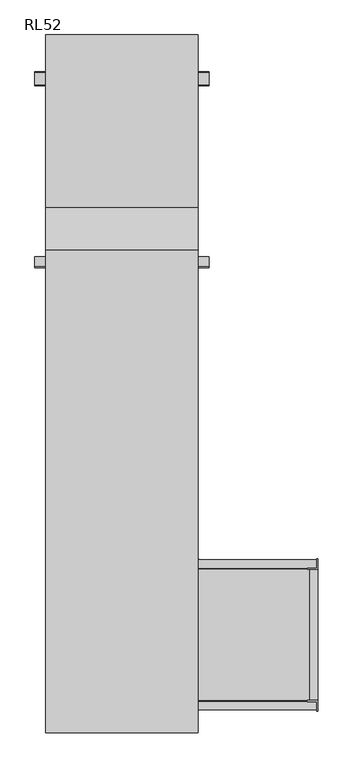
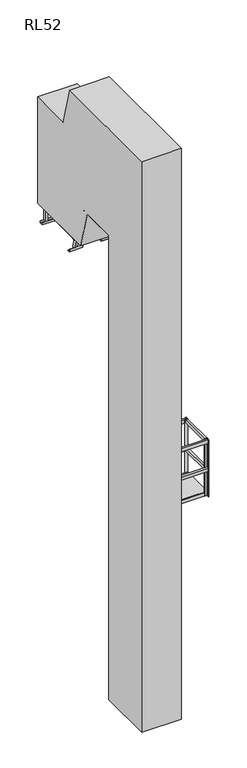
"""IFC4 building model written with IfcOpenShell, lengths in millimetres: proxy geometry, RL52."""

import ifcopenshell
import ifcopenshell.guid

model = None  # the IFC model being written
_history = None  # IfcOwnerHistory: only IFC2X3 demands one
_inside = {}  # id of a spatial element -> (the spatial element, [elements in it])
_under = {}  # id of a project, library or spatial element -> (it, [spatial elements below it])
_declared = {}  # id of a project -> (the project, [libraries it declares])
_typed = {}  # id of a type object -> (the type object, [elements of that type])
_made_of = {}  # id of a material, layer set ... -> (it, [elements and type objects made of it])


def new_model(schema):
    """Start an empty IFC model of exactly this schema.

    Asked for "IFC4X3", IfcOpenShell would pick the latest addendum, in which some entities
    have other attributes; the version numbers below select the first issue.
    IFC2X3 requires an IfcOwnerHistory on every rooted entity: one is made here for all.
    """
    global model, _history
    if schema == "IFC4X3":
        model = ifcopenshell.file(schema_version=(4, 3, 0, 0))
    else:
        model = ifcopenshell.file(schema=schema)
    _inside.clear()
    _under.clear()
    _declared.clear()
    _typed.clear()
    _made_of.clear()
    _history = None
    if model.schema == "IFC2X3":
        org = make("IfcOrganization", Name="unknown")
        user = make(
            "IfcPersonAndOrganization",
            ThePerson=make("IfcPerson", FamilyName="unknown"),
            TheOrganization=org,
        )
        app = make(
            "IfcApplication",
            ApplicationDeveloper=org,
            Version="unknown",
            ApplicationFullName="unknown",
            ApplicationIdentifier="unknown",
        )
        _history = make(
            "IfcOwnerHistory",
            OwningUser=user,
            OwningApplication=app,
            ChangeAction="ADDED",
            CreationDate=0,
        )
    return model


def make(cls, **values):
    """One entity of the class cls with the attributes given. An attribute that is None is left unset."""
    return model.create_entity(
        cls, **{name: value for name, value in values.items() if value is not None}
    )


def rooted(cls, **values):
    """An entity with a GlobalId (a new one), such as an element, a storey or a relation."""
    return make(cls, GlobalId=ifcopenshell.guid.new(), OwnerHistory=_history, **values)


def si_unit(unit_type, name, prefix=None):
    """IfcSIUnit, for example si_unit("LENGTHUNIT", "METRE", prefix="MILLI")."""
    return make("IfcSIUnit", UnitType=unit_type, Prefix=prefix, Name=name)


def assignment(units):
    """IfcUnitAssignment: the units of a project."""
    return None if units is None else make("IfcUnitAssignment", Units=units)


def point(xyz):
    """IfcCartesianPoint."""
    return None if xyz is None else make("IfcCartesianPoint", Coordinates=xyz)


def direction(xyz):
    """IfcDirection."""
    return None if xyz is None else make("IfcDirection", DirectionRatios=xyz)


def frame(location, z_axis=None, x_axis=None):
    """IfcAxis2Placement3D, a coordinate frame: its origin and axes. An axis left out is left unset."""
    return make(
        "IfcAxis2Placement3D",
        Location=point(location),
        Axis=direction(z_axis),
        RefDirection=direction(x_axis),
    )


def frame_2d(location, x_axis=None):
    """IfcAxis2Placement2D, a coordinate frame in the plane: its origin and x axis."""
    return make(
        "IfcAxis2Placement2D", Location=point(location), RefDirection=direction(x_axis)
    )


def origin():
    """The frame at (0, 0, 0) with its axes left unset."""
    return frame((0.0, 0.0, 0.0))


def place(relative_to, where):
    """IfcLocalPlacement: puts the frame where relative to a parent placement (None: the world)."""
    return make(
        "IfcLocalPlacement", PlacementRelTo=relative_to, RelativePlacement=where
    )


def context(
    kind, dimensions, precision=None, world=None, true_north=None, identifier=None
):
    """IfcGeometricRepresentationContext, for example the 3D "Model" context."""
    return make(
        "IfcGeometricRepresentationContext",
        ContextIdentifier=identifier,
        ContextType=kind,
        CoordinateSpaceDimension=dimensions,
        Precision=precision,
        WorldCoordinateSystem=world,
        TrueNorth=true_north,
    )


def project(units=None, contexts=None):
    """IfcProject with its units and contexts."""
    return rooted(
        "IfcProject",
        Name="project",
        RepresentationContexts=contexts,
        UnitsInContext=assignment(units),
    )


def spatial(cls, under=None, at=None, **own):
    """A site, building, storey or space (cls), placed at a placement, below another one or the project."""
    s = rooted(cls, ObjectPlacement=at, **own)
    if under is not None:
        _under.setdefault(under.id(), (under, []))[1].append(s)
    return s


def polyline(points):
    """IfcPolyline through the points."""
    return make("IfcPolyline", Points=[point(p) for p in points])


def circle_curve(where, radius):
    """IfcCircle in the frame where."""
    return make("IfcCircle", Position=where, Radius=radius)


def trimmed(basis, trim1, trim2, sense, master):
    """IfcTrimmedCurve: the piece of a basis curve between two trims."""
    return make(
        "IfcTrimmedCurve",
        BasisCurve=basis,
        Trim1=trim1,
        Trim2=trim2,
        SenseAgreement=sense,
        MasterRepresentation=master,
    )


def segment(curve, same_sense, transition):
    """IfcCompositeCurveSegment."""
    return make(
        "IfcCompositeCurveSegment",
        Transition=transition,
        SameSense=same_sense,
        ParentCurve=curve,
    )


def composite_curve(segments, self_intersect=None):
    """IfcCompositeCurve: segments joined end to end."""
    return make("IfcCompositeCurve", Segments=segments, SelfIntersect=self_intersect)


def outline(outer, holes=None, kind="AREA"):
    """IfcArbitraryClosedProfileDef: a profile drawn as a closed curve; with holes, ...WithVoids."""
    if holes is None:
        return make("IfcArbitraryClosedProfileDef", ProfileType=kind, OuterCurve=outer)
    return make(
        "IfcArbitraryProfileDefWithVoids",
        ProfileType=kind,
        OuterCurve=outer,
        InnerCurves=holes,
    )


def extrude(swept, where, along, depth):
    """IfcExtrudedAreaSolid: the profile swept, set in the frame where, extruded along a direction by depth."""
    return make(
        "IfcExtrudedAreaSolid",
        SweptArea=swept,
        Position=where,
        ExtrudedDirection=direction(along),
        Depth=depth,
    )


def faces_of(points, faces, orient=None, outer=None):
    """IfcFace entities. A face is a list of loops; a loop is a list of indices into points, from 0.

    orient and outer hold one flag for each loop. By default every Orientation is true, the
    first loop of a face is its IfcFaceOuterBound and the others are IfcFaceBound.
    """
    made = []
    for i, loops in enumerate(faces):
        bounds = []
        for j, loop in enumerate(loops):
            is_outer = j == 0 if outer is None else outer[i][j]
            bounds.append(
                make(
                    "IfcFaceOuterBound" if is_outer else "IfcFaceBound",
                    Bound=make("IfcPolyLoop", Polygon=[points[k] for k in loop]),
                    Orientation=True if orient is None else orient[i][j],
                )
            )
        made.append(make("IfcFace", Bounds=bounds))
    return made


def faceted_brep(points, faces, orient=None, outer=None, voids=None):
    """IfcFacetedBrep: a solid bounded by flat faces; with voids (closed shells), ...WithVoids."""
    shared = [point(p) for p in points]
    hull = make("IfcClosedShell", CfsFaces=faces_of(shared, faces, orient, outer))
    if voids is None:
        return make("IfcFacetedBrep", Outer=hull)
    return make(
        "IfcFacetedBrepWithVoids",
        Outer=hull,
        Voids=[
            make(cls, CfsFaces=faces_of(shared, fs, o, b)) for cls, fs, o, b in voids
        ],
    )


def shape(context_of_items, identifier, shape_type, items):
    """IfcShapeRepresentation: the items that make up one representation, for example the "Body"."""
    return make(
        "IfcShapeRepresentation",
        ContextOfItems=context_of_items,
        RepresentationIdentifier=identifier,
        RepresentationType=shape_type,
        Items=items,
    )


def source(mapping_origin, context_of_items, identifier, shape_type, items):
    """IfcRepresentationMap: a shape defined once, which mapped items show again and again."""
    return make(
        "IfcRepresentationMap",
        MappingOrigin=mapping_origin,
        MappedRepresentation=shape(context_of_items, identifier, shape_type, items),
    )


def transform(
    local_origin,
    x_axis=None,
    y_axis=None,
    z_axis=None,
    scale=None,
    scale2=None,
    scale3=None,
    uniform=True,
):
    """IfcCartesianTransformationOperator3D, or its non-uniform kind. x_axis, y_axis, z_axis: its Axis1, 2, 3."""
    if uniform:
        return make(
            "IfcCartesianTransformationOperator3D",
            Axis1=direction(x_axis),
            Axis2=direction(y_axis),
            LocalOrigin=point(local_origin),
            Scale=scale,
            Axis3=direction(z_axis),
        )
    return make(
        "IfcCartesianTransformationOperator3DnonUniform",
        Axis1=direction(x_axis),
        Axis2=direction(y_axis),
        LocalOrigin=point(local_origin),
        Scale=scale,
        Axis3=direction(z_axis),
        Scale2=scale2,
        Scale3=scale3,
    )


def mapped(mapping_source, mapping_target):
    """IfcMappedItem: shows the shape of a source again, moved by a transform."""
    return make(
        "IfcMappedItem", MappingSource=mapping_source, MappingTarget=mapping_target
    )


def made_of(thing, what):
    """Note that an element or type object is made of a material, layer set ...; save() writes the relation."""
    if what is not None:
        _made_of.setdefault(what.id(), (what, []))[1].append(thing)
    return thing


def element(
    cls,
    number,
    at=None,
    inside=None,
    cuts=None,
    type_object=None,
    material=None,
    context=None,
    identifier="Body",
    shape_type=None,
    held_by="IfcProductDefinitionShape",
    body=None,
    shapes=None,
    **own,
):
    """One element of the class cls, such as IfcWall. Its Tag is "e" and its number.

    at: its placement. inside: the storey or other place that contains it. cuts: it is an
    opening in that element (IfcRelVoidsElement). A single representation is given by context,
    identifier, shape_type and body (its items); several are given by shapes. held_by: the class
    of the entity that holds the representations. save() writes the other relations.
    """
    e = rooted(cls, Tag="e%d" % number, ObjectPlacement=at, **own)
    if body is not None:
        shapes = [shape(context, identifier, shape_type, body)]
    if shapes is not None:
        e.Representation = make(held_by, Representations=shapes)
    if inside is not None:
        _inside.setdefault(inside.id(), (inside, []))[1].append(e)
    if cuts is not None:
        rooted(
            "IfcRelVoidsElement", RelatingBuildingElement=cuts, RelatedOpeningElement=e
        )
    if type_object is not None:
        _typed.setdefault(type_object.id(), (type_object, []))[1].append(e)
    return made_of(e, material)


def aggregate(whole, parts):
    """IfcRelAggregates: a whole, such as a stair, and the parts it consists of."""
    return rooted("IfcRelAggregates", RelatingObject=whole, RelatedObjects=parts)


def save(model, path):
    """Write the relations noted so far, then the file.

    IfcRelAggregates (storeys below a building ...), IfcRelContainedInSpatialStructure (elements
    in a storey), IfcRelDefinesByType, IfcRelAssociatesMaterial and IfcRelDeclares: one each for
    every whole, place, type object, material and project.
    """
    for whole, parts in _under.values():
        aggregate(whole, parts)
    for where, things in _inside.values():
        rooted(
            "IfcRelContainedInSpatialStructure",
            RelatedElements=things,
            RelatingStructure=where,
        )
    for kind, things in _typed.values():
        rooted("IfcRelDefinesByType", RelatedObjects=things, RelatingType=kind)
    for what, things in _made_of.values():
        rooted("IfcRelAssociatesMaterial", RelatedObjects=things, RelatingMaterial=what)
    for by, libraries in _declared.values():
        rooted("IfcRelDeclares", RelatingContext=by, RelatedDefinitions=libraries)
    model.write(path)


def rl52_6f7ced47(model_context):
    return source(origin(), model_context, "Body", "SolidModel", [
        extrude(outline(polyline([(250.0, 1304.8694762), (250.0, 1286.8694762), (-250.0, 1286.8694762), (-250.0, 1304.8694762), (250.0, 1304.8694762)])), frame((0.0, 0.0, 7981.5), z_axis=(0.0, 0.0, 1.0), x_axis=(1.0, 0.0, 0.0)), (0.0, 0.0, 1.0), 18.5),
        extrude(outline(polyline([(300.5, 1491.1194762), (300.5, 1472.6194762), (-300.5, 1472.6194762), (-300.5, 1491.1194762), (300.5, 1491.1194762)])), frame((0.0, 0.0, 7981.5), z_axis=(0.0, 0.0, 1.0), x_axis=(1.0, 0.0, 0.0)), (0.0, 0.0, 1.0), 18.5),
        extrude(outline(polyline([(250.0, 1472.6194762), (250.0, 1304.8694762), (-250.0, 1304.8694762), (-250.0, 1472.6194762), (250.0, 1472.6194762)])), frame((0.0, 0.0, 7981.5), z_axis=(0.0, 0.0, 1.0), x_axis=(1.0, 0.0, 0.0)), (0.0, 0.0, 1.0), 18.5),
        extrude(outline(polyline([(-262.5, 1360.0196058), (-300.5, 1360.0196058), (-300.5, 2391.8694762), (-262.5, 2391.8694762), (-262.5, 1360.0196058)])), frame((0.0, 0.0, 7923.5), z_axis=(0.0, 0.0, 1.0), x_axis=(1.0, 0.0, 0.0)), (0.0, 0.0, 1.0), 58.0),
        extrude(outline(polyline([(300.5, 1360.0196058), (262.5, 1360.0196058), (262.5, 2391.8694762), (300.5, 2391.8694762), (300.5, 1360.0196058)])), frame((0.0, 0.0, 7923.5), z_axis=(0.0, 0.0, 1.0), x_axis=(1.0, 0.0, 0.0)), (0.0, 0.0, 1.0), 58.0),
        extrude(outline(polyline([(338.5, 2220.8694762), (338.5, 2162.8694762), (300.5, 2162.8694762), (300.5, 2220.8694762), (338.5, 2220.8694762)])), frame((0.0, 0.0, 7753.0), z_axis=(0.0, 0.0, 1.0), x_axis=(1.0, 0.0, 0.0)), (0.0, 0.0, 1.0), 240.0),
        extrude(outline(polyline([(-300.5, 2220.8694762), (-300.5, 2162.8694762), (-338.5, 2162.8694762), (-338.5, 2220.8694762), (-300.5, 2220.8694762)])), frame((0.0, 0.0, 7753.0), z_axis=(0.0, 0.0, 1.0), x_axis=(1.0, 0.0, 0.0)), (0.0, 0.0, 1.0), 240.0),
        extrude(outline(polyline([(300.5, 2391.8694762), (300.5, 2373.3694762), (-300.5, 2373.3694762), (-300.5, 2391.8694762), (300.5, 2391.8694762)])), frame((0.0, 0.0, 7981.5), z_axis=(0.0, 0.0, 1.0), x_axis=(1.0, 0.0, 0.0)), (0.0, 0.0, 1.0), 18.5),
        extrude(outline(polyline([(2221.3694762, 7788.0), (2224.3694762, 7788.0), (2224.3694762, 7750.0), (2159.3694762, 7750.0), (2159.3694762, 7788.0), (2162.3694762, 7788.0), (2162.3694762, 7753.0), (2221.3694762, 7753.0), (2221.3694762, 7788.0)])), frame((-400.5, 0.0, 0.0), z_axis=(1.0, 0.0, 0.0), x_axis=(0.0, 1.0, 0.0)), (0.0, 0.0, 1.0), 801.0),
        extrude(outline(polyline([(300.5, 2372.8694762), (300.5, 1491.1194762), (-300.5, 1491.1194762), (-300.5, 2372.8694762), (300.5, 2372.8694762)])), frame((0.0, 0.0, 7981.5), z_axis=(0.0, 0.0, 1.0), x_axis=(1.0, 0.0, 0.0)), (0.0, 0.0, 1.0), 18.5),
        extrude(outline(composite_curve([segment(trimmed(circle_curve(frame_2d((1389.0731956, 7933.5)), 6.0), [point((1395.0731956, 7933.5))], [point((1389.0731956, 7927.5))], False, "CARTESIAN"), True, "CONTINUOUS"), segment(polyline([(1389.0731956, 7927.5), (1340.0196058, 7927.5)]), True, "CONTINUOUS"), segment(trimmed(circle_curve(frame_2d((1340.0196058, 7952.5)), 25.0), [point((1340.0196058, 7927.5))], [point((1340.0196058, 7977.5))], False, "CARTESIAN"), True, "CONTINUOUS"), segment(polyline([(1340.0196058, 7977.5), (1389.0731956, 7977.5)]), True, "CONTINUOUS"), segment(trimmed(circle_curve(frame_2d((1389.0731956, 7971.5)), 6.0), [point((1389.0731956, 7977.5))], [point((1395.0731956, 7971.5))], False, "CARTESIAN"), True, "CONTINUOUS"), segment(polyline([(1395.0731956, 7971.5), (1395.0731956, 7933.5)]), True, "CONTINUOUS")], self_intersect=False)), frame((-306.5, 0.0, 0.0), z_axis=(1.0, 0.0, 0.0), x_axis=(0.0, 1.0, 0.0)), (0.0, 0.0, 1.0), 6.0),
        extrude(outline(composite_curve([segment(trimmed(circle_curve(frame_2d((1389.0731956, 7933.5)), 6.0), [point((1395.0731956, 7933.5))], [point((1389.0731956, 7927.5))], False, "CARTESIAN"), True, "CONTINUOUS"), segment(polyline([(1389.0731956, 7927.5), (1340.0196058, 7927.5)]), True, "CONTINUOUS"), segment(trimmed(circle_curve(frame_2d((1340.0196058, 7952.5)), 25.0), [point((1340.0196058, 7927.5))], [point((1340.0196058, 7977.5))], False, "CARTESIAN"), True, "CONTINUOUS"), segment(polyline([(1340.0196058, 7977.5), (1389.0731956, 7977.5)]), True, "CONTINUOUS"), segment(trimmed(circle_curve(frame_2d((1389.0731956, 7971.5)), 6.0), [point((1389.0731956, 7977.5))], [point((1395.0731956, 7971.5))], False, "CARTESIAN"), True, "CONTINUOUS"), segment(polyline([(1395.0731956, 7971.5), (1395.0731956, 7933.5)]), True, "CONTINUOUS")], self_intersect=False)), frame((300.5, 0.0, 0.0), z_axis=(1.0, 0.0, 0.0), x_axis=(0.0, 1.0, 0.0)), (0.0, 0.0, 1.0), 6.0),
        extrude(outline(polyline([(262.5, 1534.8694762), (262.5, 1476.8694762), (-262.5, 1476.8694762), (-262.5, 1534.8694762), (262.5, 1534.8694762)])), frame((0.0, 0.0, 7943.5), z_axis=(0.0, 0.0, 1.0), x_axis=(1.0, 0.0, 0.0)), (0.0, 0.0, 1.0), 38.0),
        extrude(outline(polyline([(262.5, 1958.8694762), (262.5, 1900.8694762), (-262.5, 1900.8694762), (-262.5, 1958.8694762), (262.5, 1958.8694762)])), frame((0.0, 0.0, 7943.5), z_axis=(0.0, 0.0, 1.0), x_axis=(1.0, 0.0, 0.0)), (0.0, 0.0, 1.0), 38.0),
        extrude(outline(polyline([(262.5, 2381.8694762), (262.5, 2323.8694762), (-262.5, 2323.8694762), (-262.5, 2381.8694762), (262.5, 2381.8694762)])), frame((0.0, 0.0, 7943.5), z_axis=(0.0, 0.0, 1.0), x_axis=(1.0, 0.0, 0.0)), (0.0, 0.0, 1.0), 38.0),
        extrude(outline(composite_curve([segment(polyline([(1212.725111, 8428.6438625), (1169.2584488, 8416.9970054), (1164.8585251, 8433.4177445)]), True, "CONTINUOUS"), segment(trimmed(circle_curve(frame_2d((1189.9490378, 8426.7120005)), 25.9711538), [point((1164.8585251, 8433.4177445))], [point((1208.3251872, 8445.0646015))], False, "CARTESIAN"), True, "CONTINUOUS"), segment(polyline([(1208.3251872, 8445.0646015), (1212.725111, 8428.6438625)]), True, "CONTINUOUS")], self_intersect=False)), frame((-262.5, 0.0, 0.0), z_axis=(1.0, 0.0, 0.0), x_axis=(0.0, 1.0, 0.0)), (0.0, 0.0, 1.0), 525.0),
        extrude(outline(composite_curve([segment(polyline([(1285.9293103, 8155.4420712), (1242.4626482, 8143.7952142), (1238.0627244, 8160.2159532)]), True, "CONTINUOUS"), segment(trimmed(circle_curve(frame_2d((1263.1532371, 8153.5102093)), 25.9711538), [point((1238.0627244, 8160.2159532))], [point((1281.5293866, 8171.8628103))], False, "CARTESIAN"), True, "CONTINUOUS"), segment(polyline([(1281.5293866, 8171.8628103), (1285.9293103, 8155.4420712)]), True, "CONTINUOUS")], self_intersect=False)), frame((-262.5, 0.0, 0.0), z_axis=(1.0, 0.0, 0.0), x_axis=(0.0, 1.0, 0.0)), (0.0, 0.0, 1.0), 525.0),
        extrude(outline(composite_curve([segment(polyline([(1139.5209117, 8701.8456537), (1096.0542495, 8690.1987967), (1091.6543257, 8706.6195357)]), True, "CONTINUOUS"), segment(trimmed(circle_curve(frame_2d((1116.7448385, 8699.9137918)), 25.9711538), [point((1091.6543257, 8706.6195357))], [point((1135.1209879, 8718.2663928))], False, "CARTESIAN"), True, "CONTINUOUS"), segment(polyline([(1135.1209879, 8718.2663928), (1139.5209117, 8701.8456537)]), True, "CONTINUOUS")], self_intersect=False)), frame((-262.5, 0.0, 0.0), z_axis=(1.0, 0.0, 0.0), x_axis=(0.0, 1.0, 0.0)), (0.0, 0.0, 1.0), 525.0),
        extrude(outline(composite_curve([segment(polyline([(1359.1335097, 7882.24028), (1315.6668475, 7870.5934229), (1311.2669237, 7887.014162)]), True, "CONTINUOUS"), segment(trimmed(circle_curve(frame_2d((1336.3574365, 7880.308418)), 25.9711538), [point((1311.2669237, 7887.014162))], [point((1354.7335859, 7898.661019))], False, "CARTESIAN"), True, "CONTINUOUS"), segment(polyline([(1354.7335859, 7898.661019), (1359.1335097, 7882.24028)]), True, "CONTINUOUS")], self_intersect=False)), frame((-262.5, 0.0, 0.0), z_axis=(1.0, 0.0, 0.0), x_axis=(0.0, 1.0, 0.0)), (0.0, 0.0, 1.0), 525.0),
        extrude(outline(polyline([(-38.0, 0.0), (0.0, 0.0), (0.0, -58.0000001), (-38.0, -58.0000001), (-38.0, 0.0)])), frame((-262.5, 1396.470313, 7768.0115046), z_axis=(0.0, -0.258819045102523, 0.9659258262890678), x_axis=(1.0, 0.0, 0.0)), (0.0, 0.0, 1.0), 2048.5179208),
        extrude(outline(polyline([(-38.0, 0.0), (0.0, 0.0), (0.0, -58.0000001), (-38.0, -58.0000001), (-38.0, 0.0)])), frame((300.5, 1396.470313, 7768.0115046), z_axis=(0.0, -0.258819045102523, 0.9659258262890678), x_axis=(1.0, 0.0, 0.0)), (0.0, 0.0, 1.0), 2048.5179208),
        extrude(outline(composite_curve([segment(polyline([(1044.4694194, 8658.8687928), (1044.4694194, 8696.8687928)]), True, "CONTINUOUS"), segment(trimmed(circle_curve(frame_2d((1050.4694194, 8696.8687928)), 6.0), [point((1044.4694194, 8696.8687928))], [point((1050.4694194, 8702.8687928))], False, "CARTESIAN"), True, "CONTINUOUS"), segment(polyline([(1050.4694194, 8702.8687928), (1099.5230092, 8702.8687928)]), True, "CONTINUOUS"), segment(trimmed(circle_curve(frame_2d((1099.5230092, 8677.8687928)), 25.0), [point((1099.5230092, 8702.8687928))], [point((1099.5230092, 8652.8687928))], False, "CARTESIAN"), True, "CONTINUOUS"), segment(polyline([(1099.5230092, 8652.8687928), (1050.4694194, 8652.8687928)]), True, "CONTINUOUS"), segment(trimmed(circle_curve(frame_2d((1050.4694194, 8658.8687928)), 6.0), [point((1050.4694194, 8652.8687928))], [point((1044.4694194, 8658.8687928))], False, "CARTESIAN"), True, "CONTINUOUS")], self_intersect=False)), frame((-306.0, 0.0, 0.0), z_axis=(1.0, 0.0, 0.0), x_axis=(0.0, 1.0, 0.0)), (0.0, 0.0, 1.0), 6.0),
        extrude(outline(composite_curve([segment(trimmed(circle_curve(frame_2d((1050.4694194, 8696.8687928)), 6.0), [point((1044.4694194, 8696.8687928))], [point((1050.4694194, 8702.8687928))], False, "CARTESIAN"), True, "CONTINUOUS"), segment(polyline([(1050.4694194, 8702.8687928), (1099.5230092, 8702.8687928)]), True, "CONTINUOUS"), segment(trimmed(circle_curve(frame_2d((1099.5230092, 8677.8687928)), 25.0), [point((1099.5230092, 8702.8687928))], [point((1099.5230092, 8652.8687928))], False, "CARTESIAN"), True, "CONTINUOUS"), segment(polyline([(1099.5230092, 8652.8687928), (1050.4694194, 8652.8687928)]), True, "CONTINUOUS"), segment(trimmed(circle_curve(frame_2d((1050.4694194, 8658.8687928)), 6.0), [point((1050.4694194, 8652.8687928))], [point((1044.4694194, 8658.8687928))], False, "CARTESIAN"), True, "CONTINUOUS"), segment(polyline([(1044.4694194, 8658.8687928), (1044.4694194, 8696.8687928)]), True, "CONTINUOUS")], self_intersect=False)), frame((300.0, 0.0, 0.0), z_axis=(1.0, 0.0, 0.0), x_axis=(0.0, 1.0, 0.0)), (0.0, 0.0, 1.0), 6.0),
        extrude(outline(composite_curve([segment(trimmed(circle_curve(frame_2d((-20.0, 8677.8687928)), 25.0), [point((-20.0, 8652.8687928))], [point((-20.0, 8702.8687928))], False, "CARTESIAN"), True, "CONTINUOUS"), segment(polyline([(-20.0, 8702.8687928), (29.0535898, 8702.8687928)]), True, "CONTINUOUS"), segment(trimmed(circle_curve(frame_2d((29.0535898, 8696.8687928)), 6.0), [point((29.0535898, 8702.8687928))], [point((35.0535898, 8696.8687928))], False, "CARTESIAN"), True, "CONTINUOUS"), segment(polyline([(35.0535898, 8696.8687928), (35.0535898, 8658.8687928)]), True, "CONTINUOUS"), segment(trimmed(circle_curve(frame_2d((29.0535898, 8658.8687928)), 6.0), [point((35.0535898, 8658.8687928))], [point((29.0535898, 8652.8687928))], False, "CARTESIAN"), True, "CONTINUOUS"), segment(polyline([(29.0535898, 8652.8687928), (-20.0, 8652.8687928)]), True, "CONTINUOUS")], self_intersect=False)), frame((-306.0, 0.0, 0.0), z_axis=(1.0, 0.0, 0.0), x_axis=(0.0, 1.0, 0.0)), (0.0, 0.0, 1.0), 6.0),
        extrude(outline(composite_curve([segment(trimmed(circle_curve(frame_2d((-20.0, 8677.8687928)), 25.0), [point((-20.0, 8652.8687928))], [point((-20.0, 8702.8687928))], False, "CARTESIAN"), True, "CONTINUOUS"), segment(polyline([(-20.0, 8702.8687928), (29.0535898, 8702.8687928)]), True, "CONTINUOUS"), segment(trimmed(circle_curve(frame_2d((29.0535898, 8696.8687928)), 6.0), [point((29.0535898, 8702.8687928))], [point((35.0535898, 8696.8687928))], False, "CARTESIAN"), True, "CONTINUOUS"), segment(polyline([(35.0535898, 8696.8687928), (35.0535898, 8658.8687928)]), True, "CONTINUOUS"), segment(trimmed(circle_curve(frame_2d((29.0535898, 8658.8687928)), 6.0), [point((35.0535898, 8658.8687928))], [point((29.0535898, 8652.8687928))], False, "CARTESIAN"), True, "CONTINUOUS"), segment(polyline([(29.0535898, 8652.8687928), (-20.0, 8652.8687928)]), True, "CONTINUOUS")], self_intersect=False)), frame((300.0, 0.0, 0.0), z_axis=(1.0, 0.0, 0.0), x_axis=(0.0, 1.0, 0.0)), (0.0, 0.0, 1.0), 6.0),
        extrude(outline(polyline([(-300.0, 30.0), (-300.0, 48.4), (300.0, 48.4), (300.0, 30.0), (-300.0, 30.0)])), frame((0.0, 0.0, 8706.5), z_axis=(0.0, 0.0, 1.0), x_axis=(1.0, 0.0, 0.0)), (0.0, 0.0, 1.0), 18.5),
        extrude(outline(polyline([(-300.0, 986.1290032), (-300.0, 1004.5290032), (300.0, 1004.5290032), (300.0, 986.1290032), (-300.0, 986.1290032)])), frame((0.0, 0.0, 8706.5), z_axis=(0.0, 0.0, 1.0), x_axis=(1.0, 0.0, 0.0)), (0.0, 0.0, 1.0), 18.5),
        extrude(outline(polyline([(1374.853003, 7753.0), (1374.853003, 7750.0), (1324.853003, 7750.0), (1324.853003, 7800.0), (1327.853003, 7800.0), (1327.853003, 7753.0), (1374.853003, 7753.0)])), frame((-400.5, 0.0, 0.0), z_axis=(1.0, 0.0, 0.0), x_axis=(0.0, 1.0, 0.0)), (0.0, 0.0, 1.0), 238.0),
        extrude(outline(polyline([(1374.853003, 7753.0), (1374.853003, 7750.0), (1324.853003, 7750.0), (1324.853003, 7800.0), (1327.853003, 7800.0), (1327.853003, 7753.0), (1374.853003, 7753.0)])), frame((162.5, 0.0, 0.0), z_axis=(1.0, 0.0, 0.0), x_axis=(0.0, 1.0, 0.0)), (0.0, 0.0, 1.0), 238.0),
        extrude(outline(polyline([(300.0, 0.0), (262.0, 0.0), (262.0, 947.9025997), (300.0, 947.9025997), (300.0, 0.0)])), frame((0.0, 0.0, 9160.9942094), z_axis=(0.0, 0.0, 1.0), x_axis=(1.0, 0.0, 0.0)), (0.0, 0.0, 1.0), 57.0),
        extrude(outline(polyline([(300.0, 0.0), (262.0, 0.0), (262.0, 812.0508076), (300.0, 812.0508076), (300.0, 0.0)])), frame((0.0, 0.0, 9668.0), z_axis=(0.0, 0.0, 1.0), x_axis=(1.0, 0.0, 0.0)), (0.0, 0.0, 1.0), 57.0),
        extrude(outline(polyline([(-262.0, 0.0), (-300.0, 0.0), (-300.0, 812.0508076), (-262.0, 812.0508076), (-262.0, 0.0)])), frame((0.0, 0.0, 9668.0), z_axis=(0.0, 0.0, 1.0), x_axis=(1.0, 0.0, 0.0)), (0.0, 0.0, 1.0), 57.0),
        extrude(outline(polyline([(-262.0, 0.0), (-300.0, 0.0), (-300.0, 947.9025997), (-262.0, 947.9025997), (-262.0, 0.0)])), frame((0.0, 0.0, 9160.9942094), z_axis=(0.0, 0.0, 1.0), x_axis=(1.0, 0.0, 0.0)), (0.0, 0.0, 1.0), 57.0),
        extrude(outline(polyline([(-300.0, 986.1290032), (300.0, 986.1290032), (300.0, 48.4), (-300.0, 48.4), (-300.0, 986.1290032)])), frame((0.0, 0.0, 8706.5), z_axis=(0.0, 0.0, 1.0), x_axis=(1.0, 0.0, 0.0)), (0.0, 0.0, 1.0), 18.5),
        extrude(outline(polyline([(262.0, 1079.5230092), (300.0, 1079.5230092), (300.0, 0.0), (-300.0, 0.0), (-300.0, 1079.5230092), (-262.0, 1079.5230092), (-262.0, 38.0), (262.0, 38.0), (262.0, 1079.5230092)])), frame((0.0, 0.0, 8649.2375855), z_axis=(0.0, 0.0, 1.0), x_axis=(1.0, 0.0, 0.0)), (0.0, 0.0, 1.0), 57.2624145),
        extrude(outline(polyline([(-262.0, 933.7615046), (-262.0, 991.7615046), (262.0, 991.7615046), (262.0, 933.7615046), (-262.0, 933.7615046)])), frame((0.0, 0.0, 8668.5), z_axis=(0.0, 0.0, 1.0), x_axis=(1.0, 0.0, 0.0)), (0.0, 0.0, 1.0), 38.0),
        extrude(outline(polyline([(-262.0, 510.7615046), (-262.0, 568.7615046), (262.0, 568.7615046), (262.0, 510.7615046), (-262.0, 510.7615046)])), frame((0.0, 0.0, 8668.5), z_axis=(0.0, 0.0, 1.0), x_axis=(1.0, 0.0, 0.0)), (0.0, 0.0, 1.0), 38.0),
        extrude(outline(polyline([(900.5, -59.5), (900.5, -659.5), (300.5, -659.5), (300.5, -59.5), (900.5, -59.5)])), frame((0.0, 0.0, 3987.0), z_axis=(0.0, 0.0, 1.0), x_axis=(1.0, 0.0, 0.0)), (0.0, 0.0, 1.0), 13.0),
        extrude(outline(polyline([(900.5, -659.5), (862.5, -659.5), (862.5, -59.5), (900.5, -59.5), (900.5, -659.5)])), frame((0.0, 0.0, 4403.0), z_axis=(0.0, 0.0, 1.0), x_axis=(1.0, 0.0, 0.0)), (0.0, 0.0, 1.0), 58.0),
        extrude(outline(polyline([(894.5, -15.5), (894.5, -53.5), (306.5, -53.5), (306.5, -15.5), (894.5, -15.5)])), frame((0.0, 0.0, 4403.0), z_axis=(0.0, 0.0, 1.0), x_axis=(1.0, 0.0, 0.0)), (0.0, 0.0, 1.0), 58.0),
        extrude(outline(polyline([(894.5, -15.5), (894.5, -53.5), (306.5, -53.5), (306.5, -15.5), (894.5, -15.5)])), frame((0.0, 0.0, 4934.0), z_axis=(0.0, 0.0, 1.0), x_axis=(1.0, 0.0, 0.0)), (0.0, 0.0, 1.0), 58.0),
        extrude(outline(polyline([(900.5, -659.5), (862.5, -659.5), (862.5, -59.5), (900.5, -59.5), (900.5, -659.5)])), frame((0.0, 0.0, 4934.0), z_axis=(0.0, 0.0, 1.0), x_axis=(1.0, 0.0, 0.0)), (0.0, 0.0, 1.0), 58.0),
        extrude(outline(polyline([(850.5, -59.5), (850.5, -53.5), (894.5, -53.5), (894.5, -9.5), (900.5, -9.5), (900.5, -59.5), (850.5, -59.5)])), frame((0.0, 0.0, 3929.0), z_axis=(0.0, 0.0, 1.0), x_axis=(1.0, 0.0, 0.0)), (0.0, 0.0, 1.0), 1071.0),
        extrude(outline(polyline([(350.5, -659.5), (350.5, -665.5), (306.5, -665.5), (306.5, -709.5), (300.5, -709.5), (300.5, -659.5), (350.5, -659.5)])), frame((0.0, 0.0, 3929.0), z_axis=(0.0, 0.0, 1.0), x_axis=(1.0, 0.0, 0.0)), (0.0, 0.0, 1.0), 1071.0),
        extrude(outline(polyline([(850.5, -659.5), (900.5, -659.5), (900.5, -709.5), (894.5, -709.5), (894.5, -665.5), (850.5, -665.5), (850.5, -659.5)])), frame((0.0, 0.0, 3929.0), z_axis=(0.0, 0.0, 1.0), x_axis=(1.0, 0.0, 0.0)), (0.0, 0.0, 1.0), 1071.0),
        extrude(outline(polyline([(0.0, -50.0), (0.0, 0.0), (50.0, 0.0), (50.0, -5.0), (5.0, -5.0), (5.0, -50.0), (0.0, -50.0)])), frame((300.5, -9.5, 2949.0), z_axis=(0.0, -0.5466781976615285, 0.8373427901412556), x_axis=(1.0, 0.0, 0.0)), (0.0, 0.0, 1.0), 1188.9993103),
        extrude(outline(polyline([(350.5, -59.5), (300.5, -59.5), (300.5, -9.5), (306.5, -9.5), (306.5, -53.5), (350.5, -53.5), (350.5, -59.5)])), frame((0.0, 0.0, 3929.0), z_axis=(0.0, 0.0, 1.0), x_axis=(1.0, 0.0, 0.0)), (0.0, 0.0, 1.0), 1071.0),
        extrude(outline(polyline([(862.5, -59.5), (862.5, -97.5), (338.5, -97.5), (338.5, -59.5), (862.5, -59.5)])), frame((0.0, 0.0, 3929.0), z_axis=(0.0, 0.0, 1.0), x_axis=(1.0, 0.0, 0.0)), (0.0, 0.0, 1.0), 58.0),
        extrude(outline(polyline([(338.5, -659.5), (300.5, -659.5), (300.5, -59.5), (338.5, -59.5), (338.5, -659.5)])), frame((0.0, 0.0, 3929.0), z_axis=(0.0, 0.0, 1.0), x_axis=(1.0, 0.0, 0.0)), (0.0, 0.0, 1.0), 58.0),
        extrude(outline(polyline([(900.5, -659.5), (862.5, -659.5), (862.5, -59.5), (900.5, -59.5), (900.5, -659.5)])), frame((0.0, 0.0, 3929.0), z_axis=(0.0, 0.0, 1.0), x_axis=(1.0, 0.0, 0.0)), (0.0, 0.0, 1.0), 58.0),
        extrude(outline(polyline([(894.5, -621.5), (894.5, -659.5), (306.5, -659.5), (306.5, -621.5), (894.5, -621.5)])), frame((0.0, 0.0, 3929.0), z_axis=(0.0, 0.0, 1.0), x_axis=(1.0, 0.0, 0.0)), (0.0, 0.0, 1.0), 58.0),
        extrude(outline(polyline([(894.5, -665.5), (894.5, -703.5), (306.5, -703.5), (306.5, -665.5), (894.5, -665.5)])), frame((0.0, 0.0, 4403.0), z_axis=(0.0, 0.0, 1.0), x_axis=(1.0, 0.0, 0.0)), (0.0, 0.0, 1.0), 58.0),
        extrude(outline(polyline([(894.5, -665.5), (894.5, -703.5), (306.5, -703.5), (306.5, -665.5), (894.5, -665.5)])), frame((0.0, 0.0, 4934.0), z_axis=(0.0, 0.0, 1.0), x_axis=(1.0, 0.0, 0.0)), (0.0, 0.0, 1.0), 58.0),
        extrude(outline(composite_curve([segment(polyline([(-53.0, 8399.4137931), (-53.0, 8416.4137931)]), True, "CONTINUOUS"), segment(trimmed(circle_curve(frame_2d((-30.5, 8403.4426393)), 25.9711538), [point((-53.0, 8416.4137931))], [point((-8.0, 8416.4137931))], False, "CARTESIAN"), True, "CONTINUOUS"), segment(polyline([(-8.0, 8416.4137931), (-8.0, 8399.4137931), (-53.0, 8399.4137931)]), True, "CONTINUOUS")], self_intersect=False)), frame((-262.0, 0.0, 0.0), z_axis=(1.0, 0.0, 0.0), x_axis=(0.0, 1.0, 0.0)), (0.0, 0.0, 1.0), 524.0),
        extrude(outline(composite_curve([segment(polyline([(-53.0, 8103.8275862), (-53.0, 8120.8275862)]), True, "CONTINUOUS"), segment(trimmed(circle_curve(frame_2d((-30.5, 8107.8564324)), 25.9711538), [point((-53.0, 8120.8275862))], [point((-8.0, 8120.8275862))], False, "CARTESIAN"), True, "CONTINUOUS"), segment(polyline([(-8.0, 8120.8275862), (-8.0, 8103.8275862), (-53.0, 8103.8275862)]), True, "CONTINUOUS")], self_intersect=False)), frame((-262.0, 0.0, 0.0), z_axis=(1.0, 0.0, 0.0), x_axis=(0.0, 1.0, 0.0)), (0.0, 0.0, 1.0), 524.0),
        extrude(outline(composite_curve([segment(polyline([(-53.0, 7808.2413793), (-53.0, 7825.2413793)]), True, "CONTINUOUS"), segment(trimmed(circle_curve(frame_2d((-30.5, 7812.2702255)), 25.9711538), [point((-53.0, 7825.2413793))], [point((-8.0, 7825.2413793))], False, "CARTESIAN"), True, "CONTINUOUS"), segment(polyline([(-8.0, 7825.2413793), (-8.0, 7808.2413793), (-53.0, 7808.2413793)]), True, "CONTINUOUS")], self_intersect=False)), frame((-262.0, 0.0, 0.0), z_axis=(1.0, 0.0, 0.0), x_axis=(0.0, 1.0, 0.0)), (0.0, 0.0, 1.0), 524.0),
        extrude(outline(composite_curve([segment(polyline([(-53.0, 7512.6551724), (-53.0, 7529.6551724)]), True, "CONTINUOUS"), segment(trimmed(circle_curve(frame_2d((-30.5, 7516.6840186)), 25.9711538), [point((-53.0, 7529.6551724))], [point((-8.0, 7529.6551724))], False, "CARTESIAN"), True, "CONTINUOUS"), segment(polyline([(-8.0, 7529.6551724), (-8.0, 7512.6551724), (-53.0, 7512.6551724)]), True, "CONTINUOUS")], self_intersect=False)), frame((-262.0, 0.0, 0.0), z_axis=(1.0, 0.0, 0.0), x_axis=(0.0, 1.0, 0.0)), (0.0, 0.0, 1.0), 524.0),
        extrude(outline(composite_curve([segment(polyline([(-53.0, 7217.0689655), (-53.0, 7234.0689655)]), True, "CONTINUOUS"), segment(trimmed(circle_curve(frame_2d((-30.5, 7221.0978117)), 25.9711538), [point((-53.0, 7234.0689655))], [point((-8.0, 7234.0689655))], False, "CARTESIAN"), True, "CONTINUOUS"), segment(polyline([(-8.0, 7234.0689655), (-8.0, 7217.0689655), (-53.0, 7217.0689655)]), True, "CONTINUOUS")], self_intersect=False)), frame((-262.0, 0.0, 0.0), z_axis=(1.0, 0.0, 0.0), x_axis=(0.0, 1.0, 0.0)), (0.0, 0.0, 1.0), 524.0),
        extrude(outline(composite_curve([segment(polyline([(-53.0, 6921.4827586), (-53.0, 6938.4827586)]), True, "CONTINUOUS"), segment(trimmed(circle_curve(frame_2d((-30.5, 6925.5116048)), 25.9711538), [point((-53.0, 6938.4827586))], [point((-8.0, 6938.4827586))], False, "CARTESIAN"), True, "CONTINUOUS"), segment(polyline([(-8.0, 6938.4827586), (-8.0, 6921.4827586), (-53.0, 6921.4827586)]), True, "CONTINUOUS")], self_intersect=False)), frame((-262.0, 0.0, 0.0), z_axis=(1.0, 0.0, 0.0), x_axis=(0.0, 1.0, 0.0)), (0.0, 0.0, 1.0), 524.0),
        extrude(outline(composite_curve([segment(polyline([(-53.0, 6625.8965517), (-53.0, 6642.8965517)]), True, "CONTINUOUS"), segment(trimmed(circle_curve(frame_2d((-30.5, 6629.9253979)), 25.9711538), [point((-53.0, 6642.8965517))], [point((-8.0, 6642.8965517))], False, "CARTESIAN"), True, "CONTINUOUS"), segment(polyline([(-8.0, 6642.8965517), (-8.0, 6625.8965517), (-53.0, 6625.8965517)]), True, "CONTINUOUS")], self_intersect=False)), frame((-262.0, 0.0, 0.0), z_axis=(1.0, 0.0, 0.0), x_axis=(0.0, 1.0, 0.0)), (0.0, 0.0, 1.0), 524.0),
        extrude(outline(composite_curve([segment(polyline([(-53.0, 6330.3103448), (-53.0, 6347.3103448)]), True, "CONTINUOUS"), segment(trimmed(circle_curve(frame_2d((-30.5, 6334.339191)), 25.9711538), [point((-53.0, 6347.3103448))], [point((-8.0, 6347.3103448))], False, "CARTESIAN"), True, "CONTINUOUS"), segment(polyline([(-8.0, 6347.3103448), (-8.0, 6330.3103448), (-53.0, 6330.3103448)]), True, "CONTINUOUS")], self_intersect=False)), frame((-262.0, 0.0, 0.0), z_axis=(1.0, 0.0, 0.0), x_axis=(0.0, 1.0, 0.0)), (0.0, 0.0, 1.0), 524.0),
        extrude(outline(composite_curve([segment(polyline([(-53.0, 6034.7241379), (-53.0, 6051.7241379)]), True, "CONTINUOUS"), segment(trimmed(circle_curve(frame_2d((-30.5, 6038.7529841)), 25.9711538), [point((-53.0, 6051.7241379))], [point((-8.0, 6051.7241379))], False, "CARTESIAN"), True, "CONTINUOUS"), segment(polyline([(-8.0, 6051.7241379), (-8.0, 6034.7241379), (-53.0, 6034.7241379)]), True, "CONTINUOUS")], self_intersect=False)), frame((-262.0, 0.0, 0.0), z_axis=(1.0, 0.0, 0.0), x_axis=(0.0, 1.0, 0.0)), (0.0, 0.0, 1.0), 524.0),
        extrude(outline(composite_curve([segment(polyline([(-53.0, 5739.137931), (-53.0, 5756.137931)]), True, "CONTINUOUS"), segment(trimmed(circle_curve(frame_2d((-30.5, 5743.1667772)), 25.9711538), [point((-53.0, 5756.137931))], [point((-8.0, 5756.137931))], False, "CARTESIAN"), True, "CONTINUOUS"), segment(polyline([(-8.0, 5756.137931), (-8.0, 5739.137931), (-53.0, 5739.137931)]), True, "CONTINUOUS")], self_intersect=False)), frame((-262.0, 0.0, 0.0), z_axis=(1.0, 0.0, 0.0), x_axis=(0.0, 1.0, 0.0)), (0.0, 0.0, 1.0), 524.0),
        extrude(outline(composite_curve([segment(polyline([(-53.0, 5443.5517241), (-53.0, 5460.5517241)]), True, "CONTINUOUS"), segment(trimmed(circle_curve(frame_2d((-30.5, 5447.5805703)), 25.9711538), [point((-53.0, 5460.5517241))], [point((-8.0, 5460.5517241))], False, "CARTESIAN"), True, "CONTINUOUS"), segment(polyline([(-8.0, 5460.5517241), (-8.0, 5443.5517241), (-53.0, 5443.5517241)]), True, "CONTINUOUS")], self_intersect=False)), frame((-262.0, 0.0, 0.0), z_axis=(1.0, 0.0, 0.0), x_axis=(0.0, 1.0, 0.0)), (0.0, 0.0, 1.0), 524.0),
        extrude(outline(composite_curve([segment(polyline([(-53.0, 5147.9655172), (-53.0, 5164.9655172)]), True, "CONTINUOUS"), segment(trimmed(circle_curve(frame_2d((-30.5, 5151.9943634)), 25.9711538), [point((-53.0, 5164.9655172))], [point((-8.0, 5164.9655172))], False, "CARTESIAN"), True, "CONTINUOUS"), segment(polyline([(-8.0, 5164.9655172), (-8.0, 5147.9655172), (-53.0, 5147.9655172)]), True, "CONTINUOUS")], self_intersect=False)), frame((-262.0, 0.0, 0.0), z_axis=(1.0, 0.0, 0.0), x_axis=(0.0, 1.0, 0.0)), (0.0, 0.0, 1.0), 524.0),
        extrude(outline(composite_curve([segment(polyline([(-53.0, 4852.3793103), (-53.0, 4869.3793103)]), True, "CONTINUOUS"), segment(trimmed(circle_curve(frame_2d((-30.5, 4856.4081565)), 25.9711538), [point((-53.0, 4869.3793103))], [point((-8.0, 4869.3793103))], False, "CARTESIAN"), True, "CONTINUOUS"), segment(polyline([(-8.0, 4869.3793103), (-8.0, 4852.3793103), (-53.0, 4852.3793103)]), True, "CONTINUOUS")], self_intersect=False)), frame((-262.0, 0.0, 0.0), z_axis=(1.0, 0.0, 0.0), x_axis=(0.0, 1.0, 0.0)), (0.0, 0.0, 1.0), 524.0),
        extrude(outline(composite_curve([segment(polyline([(-53.0, 4556.7931034), (-53.0, 4573.7931034)]), True, "CONTINUOUS"), segment(trimmed(circle_curve(frame_2d((-30.5, 4560.8219496)), 25.9711538), [point((-53.0, 4573.7931034))], [point((-8.0, 4573.7931034))], False, "CARTESIAN"), True, "CONTINUOUS"), segment(polyline([(-8.0, 4573.7931034), (-8.0, 4556.7931034), (-53.0, 4556.7931034)]), True, "CONTINUOUS")], self_intersect=False)), frame((-262.0, 0.0, 0.0), z_axis=(1.0, 0.0, 0.0), x_axis=(0.0, 1.0, 0.0)), (0.0, 0.0, 1.0), 524.0),
        extrude(outline(composite_curve([segment(polyline([(-53.0, 4261.2068966), (-53.0, 4278.2068966)]), True, "CONTINUOUS"), segment(trimmed(circle_curve(frame_2d((-30.5, 4265.2357427)), 25.9711538), [point((-53.0, 4278.2068966))], [point((-8.0, 4278.2068966))], False, "CARTESIAN"), True, "CONTINUOUS"), segment(polyline([(-8.0, 4278.2068966), (-8.0, 4261.2068966), (-53.0, 4261.2068966)]), True, "CONTINUOUS")], self_intersect=False)), frame((-262.0, 0.0, 0.0), z_axis=(1.0, 0.0, 0.0), x_axis=(0.0, 1.0, 0.0)), (0.0, 0.0, 1.0), 524.0),
        extrude(outline(composite_curve([segment(polyline([(-53.0, 3965.6206897), (-53.0, 3982.6206897)]), True, "CONTINUOUS"), segment(trimmed(circle_curve(frame_2d((-30.5, 3969.6495358)), 25.9711538), [point((-53.0, 3982.6206897))], [point((-8.0, 3982.6206897))], False, "CARTESIAN"), True, "CONTINUOUS"), segment(polyline([(-8.0, 3982.6206897), (-8.0, 3965.6206897), (-53.0, 3965.6206897)]), True, "CONTINUOUS")], self_intersect=False)), frame((-262.0, 0.0, 0.0), z_axis=(1.0, 0.0, 0.0), x_axis=(0.0, 1.0, 0.0)), (0.0, 0.0, 1.0), 524.0),
        extrude(outline(composite_curve([segment(polyline([(-53.0, 3670.0344828), (-53.0, 3687.0344828)]), True, "CONTINUOUS"), segment(trimmed(circle_curve(frame_2d((-30.5, 3674.0633289)), 25.9711538), [point((-53.0, 3687.0344828))], [point((-8.0, 3687.0344828))], False, "CARTESIAN"), True, "CONTINUOUS"), segment(polyline([(-8.0, 3687.0344828), (-8.0, 3670.0344828), (-53.0, 3670.0344828)]), True, "CONTINUOUS")], self_intersect=False)), frame((-262.0, 0.0, 0.0), z_axis=(1.0, 0.0, 0.0), x_axis=(0.0, 1.0, 0.0)), (0.0, 0.0, 1.0), 524.0),
        extrude(outline(composite_curve([segment(polyline([(-53.0, 3374.4482759), (-53.0, 3391.4482759)]), True, "CONTINUOUS"), segment(trimmed(circle_curve(frame_2d((-30.5, 3378.477122)), 25.9711538), [point((-53.0, 3391.4482759))], [point((-8.0, 3391.4482759))], False, "CARTESIAN"), True, "CONTINUOUS"), segment(polyline([(-8.0, 3391.4482759), (-8.0, 3374.4482759), (-53.0, 3374.4482759)]), True, "CONTINUOUS")], self_intersect=False)), frame((-262.0, 0.0, 0.0), z_axis=(1.0, 0.0, 0.0), x_axis=(0.0, 1.0, 0.0)), (0.0, 0.0, 1.0), 524.0),
        extrude(outline(composite_curve([segment(polyline([(-53.0, 3078.862069), (-53.0, 3095.862069)]), True, "CONTINUOUS"), segment(trimmed(circle_curve(frame_2d((-30.5, 3082.8909151)), 25.9711538), [point((-53.0, 3095.862069))], [point((-8.0, 3095.862069))], False, "CARTESIAN"), True, "CONTINUOUS"), segment(polyline([(-8.0, 3095.862069), (-8.0, 3078.862069), (-53.0, 3078.862069)]), True, "CONTINUOUS")], self_intersect=False)), frame((-262.0, 0.0, 0.0), z_axis=(1.0, 0.0, 0.0), x_axis=(0.0, 1.0, 0.0)), (0.0, 0.0, 1.0), 524.0),
        extrude(outline(composite_curve([segment(polyline([(-53.0, 2783.2758621), (-53.0, 2800.2758621)]), True, "CONTINUOUS"), segment(trimmed(circle_curve(frame_2d((-30.5, 2787.3047082)), 25.9711538), [point((-53.0, 2800.2758621))], [point((-8.0, 2800.2758621))], False, "CARTESIAN"), True, "CONTINUOUS"), segment(polyline([(-8.0, 2800.2758621), (-8.0, 2783.2758621), (-53.0, 2783.2758621)]), True, "CONTINUOUS")], self_intersect=False)), frame((-262.0, 0.0, 0.0), z_axis=(1.0, 0.0, 0.0), x_axis=(0.0, 1.0, 0.0)), (0.0, 0.0, 1.0), 524.0),
        extrude(outline(composite_curve([segment(polyline([(-53.0, 2487.6896552), (-53.0, 2504.6896552)]), True, "CONTINUOUS"), segment(trimmed(circle_curve(frame_2d((-30.5, 2491.7185013)), 25.9711538), [point((-53.0, 2504.6896552))], [point((-8.0, 2504.6896552))], False, "CARTESIAN"), True, "CONTINUOUS"), segment(polyline([(-8.0, 2504.6896552), (-8.0, 2487.6896552), (-53.0, 2487.6896552)]), True, "CONTINUOUS")], self_intersect=False)), frame((-262.0, 0.0, 0.0), z_axis=(1.0, 0.0, 0.0), x_axis=(0.0, 1.0, 0.0)), (0.0, 0.0, 1.0), 524.0),
        extrude(outline(composite_curve([segment(polyline([(-53.0, 2192.1034483), (-53.0, 2209.1034483)]), True, "CONTINUOUS"), segment(trimmed(circle_curve(frame_2d((-30.5, 2196.1322944)), 25.9711538), [point((-53.0, 2209.1034483))], [point((-8.0, 2209.1034483))], False, "CARTESIAN"), True, "CONTINUOUS"), segment(polyline([(-8.0, 2209.1034483), (-8.0, 2192.1034483), (-53.0, 2192.1034483)]), True, "CONTINUOUS")], self_intersect=False)), frame((-262.0, 0.0, 0.0), z_axis=(1.0, 0.0, 0.0), x_axis=(0.0, 1.0, 0.0)), (0.0, 0.0, 1.0), 524.0),
        extrude(outline(composite_curve([segment(polyline([(-53.0, 1896.5172414), (-53.0, 1913.5172414)]), True, "CONTINUOUS"), segment(trimmed(circle_curve(frame_2d((-30.5, 1900.5460875)), 25.9711538), [point((-53.0, 1913.5172414))], [point((-8.0, 1913.5172414))], False, "CARTESIAN"), True, "CONTINUOUS"), segment(polyline([(-8.0, 1913.5172414), (-8.0, 1896.5172414), (-53.0, 1896.5172414)]), True, "CONTINUOUS")], self_intersect=False)), frame((-262.0, 0.0, 0.0), z_axis=(1.0, 0.0, 0.0), x_axis=(0.0, 1.0, 0.0)), (0.0, 0.0, 1.0), 524.0),
        extrude(outline(composite_curve([segment(polyline([(-53.0, 1600.9310345), (-53.0, 1617.9310345)]), True, "CONTINUOUS"), segment(trimmed(circle_curve(frame_2d((-30.5, 1604.9598806)), 25.9711538), [point((-53.0, 1617.9310345))], [point((-8.0, 1617.9310345))], False, "CARTESIAN"), True, "CONTINUOUS"), segment(polyline([(-8.0, 1617.9310345), (-8.0, 1600.9310345), (-53.0, 1600.9310345)]), True, "CONTINUOUS")], self_intersect=False)), frame((-262.0, 0.0, 0.0), z_axis=(1.0, 0.0, 0.0), x_axis=(0.0, 1.0, 0.0)), (0.0, 0.0, 1.0), 524.0),
        extrude(outline(composite_curve([segment(polyline([(-53.0, 1305.3448276), (-53.0, 1322.3448276)]), True, "CONTINUOUS"), segment(trimmed(circle_curve(frame_2d((-30.5, 1309.3736737)), 25.9711538), [point((-53.0, 1322.3448276))], [point((-8.0, 1322.3448276))], False, "CARTESIAN"), True, "CONTINUOUS"), segment(polyline([(-8.0, 1322.3448276), (-8.0, 1305.3448276), (-53.0, 1305.3448276)]), True, "CONTINUOUS")], self_intersect=False)), frame((-262.0, 0.0, 0.0), z_axis=(1.0, 0.0, 0.0), x_axis=(0.0, 1.0, 0.0)), (0.0, 0.0, 1.0), 524.0),
        extrude(outline(composite_curve([segment(polyline([(-53.0, 1009.7586207), (-53.0, 1026.7586207)]), True, "CONTINUOUS"), segment(trimmed(circle_curve(frame_2d((-30.5, 1013.7874668)), 25.9711538), [point((-53.0, 1026.7586207))], [point((-8.0, 1026.7586207))], False, "CARTESIAN"), True, "CONTINUOUS"), segment(polyline([(-8.0, 1026.7586207), (-8.0, 1009.7586207), (-53.0, 1009.7586207)]), True, "CONTINUOUS")], self_intersect=False)), frame((-262.0, 0.0, 0.0), z_axis=(1.0, 0.0, 0.0), x_axis=(0.0, 1.0, 0.0)), (0.0, 0.0, 1.0), 524.0),
        extrude(outline(composite_curve([segment(polyline([(-53.0, 714.1724138), (-53.0, 731.1724138)]), True, "CONTINUOUS"), segment(trimmed(circle_curve(frame_2d((-30.5, 718.2012599)), 25.9711538), [point((-53.0, 731.1724138))], [point((-8.0, 731.1724138))], False, "CARTESIAN"), True, "CONTINUOUS"), segment(polyline([(-8.0, 731.1724138), (-8.0, 714.1724138), (-53.0, 714.1724138)]), True, "CONTINUOUS")], self_intersect=False)), frame((-262.0, 0.0, 0.0), z_axis=(1.0, 0.0, 0.0), x_axis=(0.0, 1.0, 0.0)), (0.0, 0.0, 1.0), 524.0),
        extrude(outline(composite_curve([segment(polyline([(-53.0, 418.5862069), (-53.0, 435.5862069)]), True, "CONTINUOUS"), segment(trimmed(circle_curve(frame_2d((-30.5, 422.6150531)), 25.9711538), [point((-53.0, 435.5862069))], [point((-8.0, 435.5862069))], False, "CARTESIAN"), True, "CONTINUOUS"), segment(polyline([(-8.0, 435.5862069), (-8.0, 418.5862069), (-53.0, 418.5862069)]), True, "CONTINUOUS")], self_intersect=False)), frame((-262.0, 0.0, 0.0), z_axis=(1.0, 0.0, 0.0), x_axis=(0.0, 1.0, 0.0)), (0.0, 0.0, 1.0), 524.0),
        extrude(outline(composite_curve([segment(polyline([(-53.0, 8695.0), (-53.0, 8712.0)]), True, "CONTINUOUS"), segment(trimmed(circle_curve(frame_2d((-30.5, 8699.0288462)), 25.9711538), [point((-53.0, 8712.0))], [point((-8.0, 8712.0))], False, "CARTESIAN"), True, "CONTINUOUS"), segment(polyline([(-8.0, 8712.0), (-8.0, 8695.0), (-53.0, 8695.0)]), True, "CONTINUOUS")], self_intersect=False)), frame((-262.0, 0.0, 0.0), z_axis=(1.0, 0.0, 0.0), x_axis=(0.0, 1.0, 0.0)), (0.0, 0.0, 1.0), 524.0),
        extrude(outline(composite_curve([segment(polyline([(-53.0, 123.0), (-53.0, 140.0)]), True, "CONTINUOUS"), segment(trimmed(circle_curve(frame_2d((-30.5, 127.0288462)), 25.9711538), [point((-53.0, 140.0))], [point((-8.0, 140.0))], False, "CARTESIAN"), True, "CONTINUOUS"), segment(polyline([(-8.0, 140.0), (-8.0, 123.0), (-53.0, 123.0)]), True, "CONTINUOUS")], self_intersect=False)), frame((-262.0, 0.0, 0.0), z_axis=(1.0, 0.0, 0.0), x_axis=(0.0, 1.0, 0.0)), (0.0, 0.0, 1.0), 524.0),
        extrude(outline(composite_curve([segment(trimmed(circle_curve(frame_2d((303.0, -194.5)), 4.0), [point((307.0, -194.5))], [point((299.0, -194.5))], False, "CARTESIAN"), True, "CONTINUOUS"), segment(trimmed(circle_curve(frame_2d((303.0, -194.5)), 4.0), [point((299.0, -194.5))], [point((307.0, -194.5))], False, "CARTESIAN"), True, "CONTINUOUS")], self_intersect=False)), frame((0.0, 0.0, 148.0), z_axis=(0.0, 0.0, 1.0), x_axis=(1.0, 0.0, 0.0)), (0.0, 0.0, 1.0), 9557.0),
        extrude(outline(polyline([(-219.5, 168.0), (-199.5, 188.0), (-59.5, 188.0), (-59.5, 108.0), (-199.5, 108.0), (-219.5, 128.0), (-219.5, 168.0)])), frame((303.0, 0.0, 0.0), z_axis=(1.0, 0.0, 0.0), x_axis=(0.0, 1.0, 0.0)), (0.0, 0.0, 1.0), 6.0),
        extrude(outline(polyline([(-219.5, 9725.0), (-199.5, 9745.0), (-59.5, 9745.0), (-59.5, 9665.0), (-199.5, 9665.0), (-219.5, 9685.0), (-219.5, 9725.0)])), frame((303.0, 0.0, 0.0), z_axis=(1.0, 0.0, 0.0), x_axis=(0.0, 1.0, 0.0)), (0.0, 0.0, 1.0), 6.0),
        extrude(outline(polyline([(300.0, -59.5), (262.0, -59.5), (262.0, -1.5), (300.0, -1.5), (300.0, -59.5)])), frame((0.0, 0.0, 3.0), z_axis=(0.0, 0.0, 1.0), x_axis=(1.0, 0.0, 0.0)), (0.0, 0.0, 1.0), 9772.0),
        extrude(outline(polyline([(-262.0, -59.5), (-300.0, -59.5), (-300.0, -1.5), (-262.0, -1.5), (-262.0, -59.5)])), frame((0.0, 0.0, 3.0), z_axis=(0.0, 0.0, 1.0), x_axis=(1.0, 0.0, 0.0)), (0.0, 0.0, 1.0), 9772.0),
        faceted_brep([(-303.5, -250.5, 0.0), (-250.5, -250.5, 0.0), (-250.5, -250.5, 3.0), (-300.5, -250.5, 3.0), (-303.5, -250.5, 3.0), (-300.5, 109.5, 3.0), (-250.5, 109.5, 3.0), (-250.5, 109.5, 0.0), (-303.5, 109.5, 0.0), (-303.5, 109.5, 3.0), (-300.5, -203.5, 50.0), (-300.5, 62.5, 50.0), (-303.5, 62.5, 50.0), (-303.5, -203.5, 50.0)], [[[0, 1, 2, 3, 4]], [[5, 6, 7, 8, 9]], [[10, 11, 12, 13]], [[8, 0, 4, 13, 12, 9]], [[1, 0, 8, 7]], [[2, 1, 7, 6]], [[3, 2, 6, 5]], [[3, 5, 11, 10]], [[5, 9, 12, 11]], [[4, 3, 10, 13]]]),
        faceted_brep([(300.5, -250.5, 3.0), (250.5, -250.5, 3.0), (250.5, -250.5, 0.0), (303.5, -250.5, 0.0), (303.5, -250.5, 3.0), (303.5, 109.5, 0.0), (250.5, 109.5, 0.0), (250.5, 109.5, 3.0), (300.5, 109.5, 3.0), (303.5, 109.5, 3.0), (303.5, 62.5, 50.0), (303.5, -203.5, 50.0), (300.5, 62.5, 50.0), (300.5, -203.5, 50.0)], [[[0, 1, 2, 3, 4]], [[5, 6, 7, 8, 9]], [[1, 0, 8, 7]], [[2, 1, 7, 6]], [[3, 2, 6, 5]], [[3, 5, 9, 10, 11, 4]], [[11, 10, 12, 13]], [[8, 0, 13, 12]], [[9, 8, 12, 10]], [[0, 4, 11, 13]]]),
        extrude(outline(polyline([(200.0, 8725.0), (200.0, 0.0), (-809.5, 0.0), (-809.5, 10725.0), (1406.6047689, 10725.0), (1600.8679334, 10000.0), (2392.1542732, 10000.0), (2392.1542732, 8000.0), (1067.2079284, 8000.0), (872.9447639, 8725.0), (200.0, 8725.0)])), frame((-350.0, 0.0, 0.0), z_axis=(1.0, 0.0, 0.0), x_axis=(0.0, 1.0, 0.0)), (0.0, 0.0, 1.0), 700.0),
        extrude(outline(polyline([(306.5, 200.0), (306.5, -30.5), (300.5, -30.5), (300.5, 195.0), (-300.5, 195.0), (-300.5, -30.5), (-306.5, -30.5), (-306.5, 200.0), (306.5, 200.0)])), frame((0.0, 0.0, 6503.75), z_axis=(0.0, 0.0, 1.0), x_axis=(1.0, 0.0, 0.0)), (0.0, 0.0, 1.0), 80.0),
        extrude(outline(polyline([(306.5, 200.0), (306.5, -30.5), (300.5, -30.5), (300.5, 195.0), (-300.5, 195.0), (-300.5, -30.5), (-306.5, -30.5), (-306.5, 200.0), (306.5, 200.0)])), frame((0.0, 0.0, 4922.5), z_axis=(0.0, 0.0, 1.0), x_axis=(1.0, 0.0, 0.0)), (0.0, 0.0, 1.0), 80.0),
        extrude(outline(polyline([(306.5, 200.0), (306.5, -30.5), (300.5, -30.5), (300.5, 195.0), (-300.5, 195.0), (-300.5, -30.5), (-306.5, -30.5), (-306.5, 200.0), (306.5, 200.0)])), frame((0.0, 0.0, 3341.25), z_axis=(0.0, 0.0, 1.0), x_axis=(1.0, 0.0, 0.0)), (0.0, 0.0, 1.0), 80.0),
        extrude(outline(polyline([(306.5, 200.0), (306.5, -30.5), (300.5, -30.5), (300.5, 195.0), (-300.5, 195.0), (-300.5, -30.5), (-306.5, -30.5), (-306.5, 200.0), (306.5, 200.0)])), frame((0.0, 0.0, 8085.0), z_axis=(0.0, 0.0, 1.0), x_axis=(1.0, 0.0, 0.0)), (0.0, 0.0, 1.0), 80.0),
        extrude(outline(polyline([(306.5, 200.0), (306.5, -30.5), (300.5, -30.5), (300.5, 195.0), (-300.5, 195.0), (-300.5, -30.5), (-306.5, -30.5), (-306.5, 200.0), (306.5, 200.0)])), frame((0.0, 0.0, 1760.0), z_axis=(0.0, 0.0, 1.0), x_axis=(1.0, 0.0, 0.0)), (0.0, 0.0, 1.0), 80.0),
    ])


if __name__ == "__main__":
    model = new_model("IFC4")
    model_context = context("Model", 3, world=origin())
    ifc_project = project(units=[si_unit("LENGTHUNIT", "METRE", prefix="MILLI")], contexts=[model_context])
    site = spatial("IfcSite", under=ifc_project)
    building = spatial("IfcBuilding", under=site)
    placement = place(None, origin())
    rl52_shape = rl52_6f7ced47(model_context)
    element("IfcBuildingElementProxy", 1, Name="RL52", ObjectType="RL52", at=placement, inside=building, context=model_context, shape_type="MappedRepresentation", body=[
        mapped(rl52_shape, transform((0.0, 0.0, 0.0), x_axis=(1.0, 0.0, 0.0), y_axis=(0.0, 1.0, 0.0), z_axis=(0.0, 0.0, 1.0))),
    ])
    save(model, "model.ifc")
